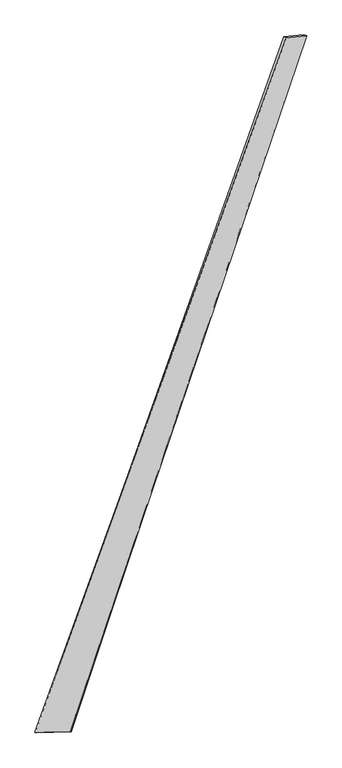
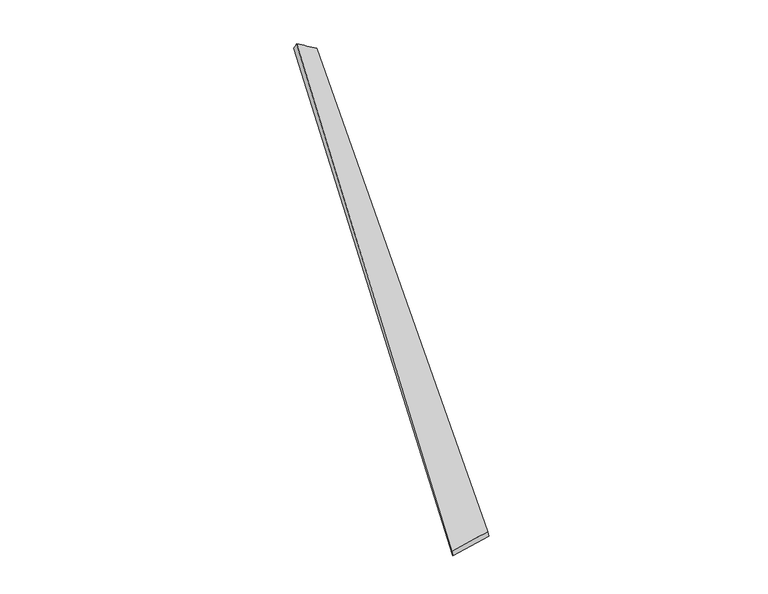
"""IFC4 building model written with IfcOpenShell, lengths in millimetres: proxy geometry."""

from ifc_helpers import new_model, si_unit, frame, origin, place, context, project, spatial, source, transform, mapped, element, save
from ifc_brep_helpers import plane_surface, spline_surface, advanced_brep


def generic_models_c3aba70a(model_context):
    return source(origin(), model_context, "Body", "AdvancedBrep", [
        advanced_brep(
        [(-730.8921992, -1851.5935712, -20.6967416), (-737.8157423, -1849.5432179, 8.4213044), (734.4935401, 2217.9737176, 63.0234236), (720.0044853, 2223.4981691, 37.3417623), (-530.9572568, -1845.3619178, 50.1141562), (854.7875851, 2229.8866761, -13.8852733), (-525.9567118, -1847.4491129, 20.6075779), (836.8444257, 2235.544515, -37.2525986)],
        [
            (0, 1),
            (1, 2),
            (2, 3),
            (3, 0),
            (1, 4),
            (4, 5),
            (5, 2),
            (4, 6),
            (6, 7),
            (7, 5),
            (6, 0),
            (3, 7),
        ],
        [
            spline_surface(1, 1, [[(-730.8921992, -1851.5935712, -20.6967416), (720.0044853, 2223.4981691, 37.3417623)], [(-737.8157423, -1849.5432179, 8.4213044), (734.4935401, 2217.9737176, 63.0234236)]], [2, 2], [2, 2], [0.0, 1.0], [0.0, 1.0]),
            spline_surface(1, 1, [[(-737.8157423, -1849.5432179, 8.4213044), (734.4935401, 2217.9737176, 63.0234236)], [(-530.9572568, -1845.3619178, 50.1141562), (854.7875851, 2229.8866761, -13.8852733)]], [2, 2], [2, 2], [0.0, 1.0], [0.0, 1.0]),
            spline_surface(1, 1, [[(-530.9572568, -1845.3619178, 50.1141562), (854.7875851, 2229.8866761, -13.8852733)], [(-525.9567118, -1847.4491129, 20.6075779), (836.8444257, 2235.544515, -37.2525986)]], [2, 2], [2, 2], [0.0, 1.0], [0.0, 1.0]),
            spline_surface(1, 1, [[(-525.9567118, -1847.4491129, 20.6075779), (836.8444257, 2235.544515, -37.2525986)], [(-730.8921992, -1851.5935712, -20.6967416), (720.0044853, 2223.4981691, 37.3417623)]], [2, 2], [2, 2], [0.0, 1.0], [0.0, 1.0]),
            spline_surface(1, 1, [[(734.4935401, 2217.9737176, 63.0234236), (720.0044853, 2223.4981691, 37.3417623)], [(854.7875851, 2229.8866761, -13.8852733), (836.8444257, 2235.544515, -37.2525986)]], [2, 2], [2, 2], [0.0, 1.0], [0.0, 1.0]),
            plane_surface(frame((-631.4054775, -1848.486955, 14.6115742), z_axis=(0.005754483144470506, -0.9974218878625989, 0.07152945922030732), x_axis=(0.9800952059314194, 0.019820694725280856, 0.19753614193573762))),
        ],
        [
            (0, [[1, 2, 3, 4]]),
            (1, [[5, 6, 7, -2]]),
            (2, [[8, 9, 10, -6]]),
            (3, [[11, -4, 12, -9]]),
            (4, [[-3, -7, -10, -12]]),
            (5, [[-11, -8, -5, -1]]),
        ],
    ),
    ])


if __name__ == "__main__":
    model = new_model("IFC4")
    model_context = context("Model", 3, world=origin())
    ifc_project = project(units=[si_unit("LENGTHUNIT", "METRE", prefix="MILLI")], contexts=[model_context])
    site = spatial("IfcSite", under=ifc_project)
    building = spatial("IfcBuilding", under=site)
    placement = place(None, origin())
    generic_models_shape = generic_models_c3aba70a(model_context)
    element("IfcBuildingElementProxy", 1, Name="Generic Models", at=placement, inside=building, context=model_context, shape_type="MappedRepresentation", body=[
        mapped(generic_models_shape, transform((0.0, 0.0, 0.0), x_axis=(1.0, 0.0, 0.0), y_axis=(0.0, 1.0, 0.0), z_axis=(0.0, 0.0, 1.0))),
    ])
    save(model, "model.ifc")
